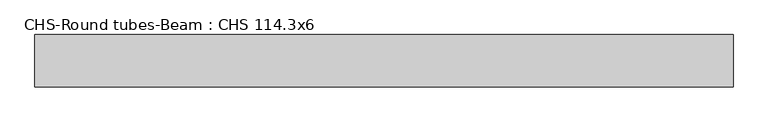
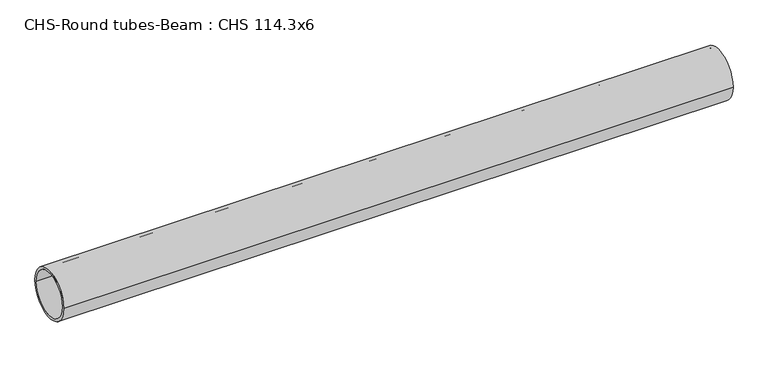
"""IFC4 building model written with IfcOpenShell, lengths in millimetres: beam geometry, CHS-Round tubes-Beam : CHS 114.3x6."""

from ifc_helpers import new_model, si_unit, point, frame, origin, origin_2d, place, context, project, spatial, circle_curve, trimmed, segment, composite_curve, outline, extrude, source, transform, mapped, element, save


def chs_round_tubes_beam_chs_114_3x6_04f7f714(model_context):
    return source(origin(), model_context, "Body", "SweptSolid", [
        extrude(outline(composite_curve([segment(trimmed(circle_curve(origin_2d(), 57.15), [point((57.15, 0.0))], [point((-57.15, 0.0))], False, "CARTESIAN"), True, "CONTINUOUS"), segment(trimmed(circle_curve(origin_2d(), 57.15), [point((-57.15, 0.0))], [point((57.15, 0.0))], False, "CARTESIAN"), True, "CONTINUOUS")], self_intersect=False), holes=[composite_curve([segment(trimmed(circle_curve(origin_2d(), 51.15), [point((51.15, 0.0))], [point((-51.15, 0.0))], True, "CARTESIAN"), True, "CONTINUOUS"), segment(trimmed(circle_curve(origin_2d(), 51.15), [point((-51.15, 0.0))], [point((51.15, 0.0))], True, "CARTESIAN"), True, "CONTINUOUS")], self_intersect=False)]), frame((-742.6837103, 0.0, 0.0), z_axis=(1.0, 0.0, 0.0), x_axis=(0.0, 1.0, 0.0)), (0.0, 0.0, 1.0), 1529.4938132),
    ])


if __name__ == "__main__":
    model = new_model("IFC4")
    model_context = context("Model", 3, world=origin())
    ifc_project = project(units=[si_unit("LENGTHUNIT", "METRE", prefix="MILLI")], contexts=[model_context])
    site = spatial("IfcSite", under=ifc_project)
    building = spatial("IfcBuilding", under=site)
    placement = place(None, origin())
    chs_round_tubes_beam_chs_114_3x6_shape = chs_round_tubes_beam_chs_114_3x6_04f7f714(model_context)
    element("IfcBeam", 1, ObjectType="CHS-Round tubes-Beam : CHS 114.3x6", at=placement, inside=building, context=model_context, shape_type="MappedRepresentation", body=[
        mapped(chs_round_tubes_beam_chs_114_3x6_shape, transform((0.0, 0.0, 0.0), x_axis=(1.0, 0.0, 0.0), y_axis=(0.0, 1.0, 0.0), z_axis=(0.0, 0.0, 1.0))),
    ])
    save(model, "model.ifc")
